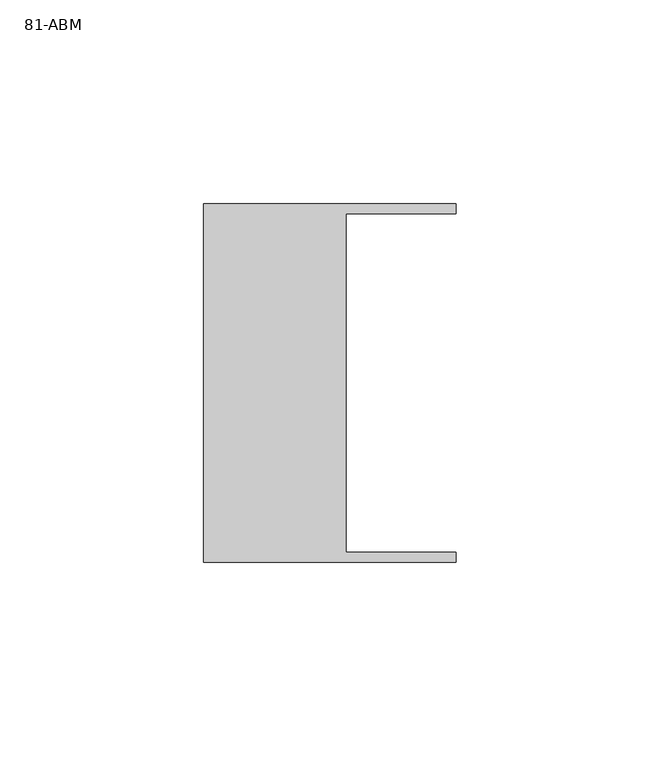
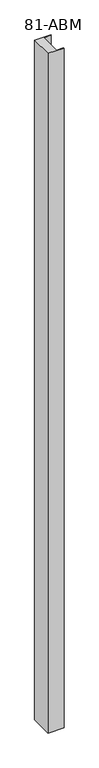
"""IFC4 building model written with IfcOpenShell, lengths in millimetres: plate geometry, 81-ABM."""

from ifc_helpers import new_model, si_unit, origin, origin_with_axes, place, context, project, spatial, polyline, outline, extrude, source, transform, mapped, element, save


def plate_81_abm_d36faba9(model_context):
    return source(origin(), model_context, "Body", "SweptSolid", [
        extrude(outline(polyline([(44.5, -44.0), (-17.5, -44.0), (-17.5, 44.0), (44.5, 44.0), (44.5, 41.5), (17.5, 41.5), (17.5, -41.5), (44.5, -41.5), (44.5, -44.0)])), origin_with_axes(), (0.0, 0.0, 1.0), 2755.0),
    ])


if __name__ == "__main__":
    model = new_model("IFC4")
    model_context = context("Model", 3, world=origin())
    ifc_project = project(units=[si_unit("LENGTHUNIT", "METRE", prefix="MILLI")], contexts=[model_context])
    site = spatial("IfcSite", under=ifc_project)
    building = spatial("IfcBuilding", under=site)
    placement = place(None, origin())
    plate_81_abm_shape = plate_81_abm_d36faba9(model_context)
    element("IfcPlate", 1, ObjectType="81-ABM", at=placement, inside=building, context=model_context, shape_type="MappedRepresentation", body=[
        mapped(plate_81_abm_shape, transform((0.0, 0.0, 0.0), x_axis=(1.0, 0.0, 0.0), y_axis=(0.0, 1.0, 0.0), z_axis=(0.0, 0.0, 1.0))),
    ])
    save(model, "model.ifc")
